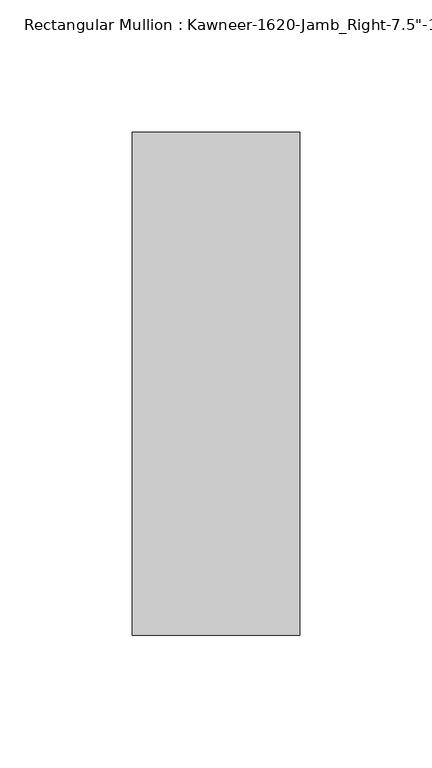
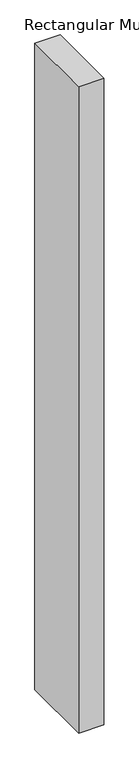
"""IFC4 building model written with IfcOpenShell, lengths in millimetres: member geometry."""

from ifc_helpers import new_model, si_unit, frame, origin, place, context, project, spatial, polyline, outline, extrude, source, transform, mapped, element, save


def member_8173c15c(model_context):
    return source(origin(), model_context, "Body", "SweptSolid", [
        extrude(outline(polyline([(-63.5, -28.575), (-63.5, 161.925), (0.0, 161.925), (0.0, -28.575), (-63.5, -28.575)])), frame((0.0, 0.0, -1720.85), z_axis=(0.0, 0.0, 1.0), x_axis=(1.0, 0.0, 0.0)), (0.0, 0.0, 1.0), 1720.85),
    ])


if __name__ == "__main__":
    model = new_model("IFC4")
    model_context = context("Model", 3, world=origin())
    ifc_project = project(units=[si_unit("LENGTHUNIT", "METRE", prefix="MILLI")], contexts=[model_context])
    site = spatial("IfcSite", under=ifc_project)
    building = spatial("IfcBuilding", under=site)
    placement = place(None, origin())
    member_shape = member_8173c15c(model_context)
    element("IfcMember", 1, ObjectType="Rectangular Mullion : Kawneer-1620-Jamb_Right-7.5\"-1/4\"Infill", at=placement, inside=building, context=model_context, shape_type="MappedRepresentation", body=[
        mapped(member_shape, transform((0.0, 0.0, 0.0), x_axis=(1.0, 0.0, 0.0), y_axis=(0.0, 1.0, 0.0), z_axis=(0.0, 0.0, 1.0))),
    ])
    save(model, "model.ifc")
